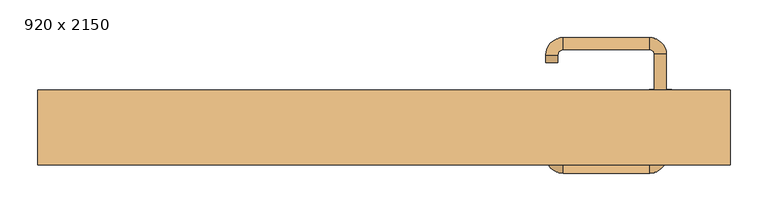
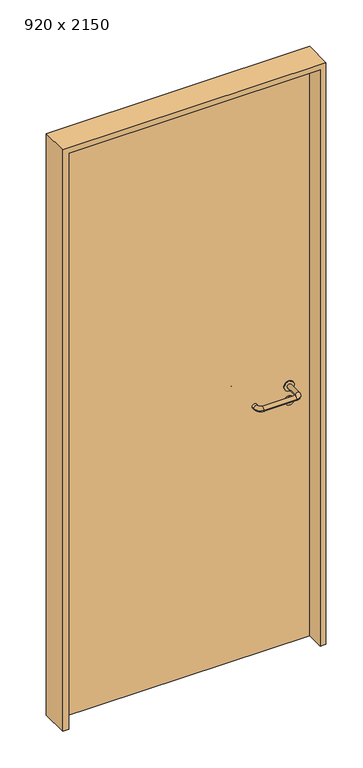
"""IFC4 building model written with IfcOpenShell, lengths in millimetres: door geometry, 920 x 2150."""

import ifcopenshell
import ifcopenshell.guid

model = None  # the IFC model being written
_history = None  # IfcOwnerHistory: only IFC2X3 demands one
_inside = {}  # id of a spatial element -> (the spatial element, [elements in it])
_under = {}  # id of a project, library or spatial element -> (it, [spatial elements below it])
_declared = {}  # id of a project -> (the project, [libraries it declares])
_typed = {}  # id of a type object -> (the type object, [elements of that type])
_made_of = {}  # id of a material, layer set ... -> (it, [elements and type objects made of it])


def new_model(schema):
    """Start an empty IFC model of exactly this schema.

    Asked for "IFC4X3", IfcOpenShell would pick the latest addendum, in which some entities
    have other attributes; the version numbers below select the first issue.
    IFC2X3 requires an IfcOwnerHistory on every rooted entity: one is made here for all.
    """
    global model, _history
    if schema == "IFC4X3":
        model = ifcopenshell.file(schema_version=(4, 3, 0, 0))
    else:
        model = ifcopenshell.file(schema=schema)
    _inside.clear()
    _under.clear()
    _declared.clear()
    _typed.clear()
    _made_of.clear()
    _history = None
    if model.schema == "IFC2X3":
        org = make("IfcOrganization", Name="unknown")
        user = make(
            "IfcPersonAndOrganization",
            ThePerson=make("IfcPerson", FamilyName="unknown"),
            TheOrganization=org,
        )
        app = make(
            "IfcApplication",
            ApplicationDeveloper=org,
            Version="unknown",
            ApplicationFullName="unknown",
            ApplicationIdentifier="unknown",
        )
        _history = make(
            "IfcOwnerHistory",
            OwningUser=user,
            OwningApplication=app,
            ChangeAction="ADDED",
            CreationDate=0,
        )
    return model


def make(cls, **values):
    """One entity of the class cls with the attributes given. An attribute that is None is left unset."""
    return model.create_entity(
        cls, **{name: value for name, value in values.items() if value is not None}
    )


def rooted(cls, **values):
    """An entity with a GlobalId (a new one), such as an element, a storey or a relation."""
    return make(cls, GlobalId=ifcopenshell.guid.new(), OwnerHistory=_history, **values)


def si_unit(unit_type, name, prefix=None):
    """IfcSIUnit, for example si_unit("LENGTHUNIT", "METRE", prefix="MILLI")."""
    return make("IfcSIUnit", UnitType=unit_type, Prefix=prefix, Name=name)


def assignment(units):
    """IfcUnitAssignment: the units of a project."""
    return None if units is None else make("IfcUnitAssignment", Units=units)


def point(xyz):
    """IfcCartesianPoint."""
    return None if xyz is None else make("IfcCartesianPoint", Coordinates=xyz)


def direction(xyz):
    """IfcDirection."""
    return None if xyz is None else make("IfcDirection", DirectionRatios=xyz)


def frame(location, z_axis=None, x_axis=None):
    """IfcAxis2Placement3D, a coordinate frame: its origin and axes. An axis left out is left unset."""
    return make(
        "IfcAxis2Placement3D",
        Location=point(location),
        Axis=direction(z_axis),
        RefDirection=direction(x_axis),
    )


def frame_2d(location, x_axis=None):
    """IfcAxis2Placement2D, a coordinate frame in the plane: its origin and x axis."""
    return make(
        "IfcAxis2Placement2D", Location=point(location), RefDirection=direction(x_axis)
    )


def origin():
    """The frame at (0, 0, 0) with its axes left unset."""
    return frame((0.0, 0.0, 0.0))


def origin_with_axes():
    """The frame at (0, 0, 0) with the z axis (0, 0, 1) and the x axis (1, 0, 0) written out."""
    return frame((0.0, 0.0, 0.0), z_axis=(0.0, 0.0, 1.0), x_axis=(1.0, 0.0, 0.0))


def place(relative_to, where):
    """IfcLocalPlacement: puts the frame where relative to a parent placement (None: the world)."""
    return make(
        "IfcLocalPlacement", PlacementRelTo=relative_to, RelativePlacement=where
    )


def context(
    kind, dimensions, precision=None, world=None, true_north=None, identifier=None
):
    """IfcGeometricRepresentationContext, for example the 3D "Model" context."""
    return make(
        "IfcGeometricRepresentationContext",
        ContextIdentifier=identifier,
        ContextType=kind,
        CoordinateSpaceDimension=dimensions,
        Precision=precision,
        WorldCoordinateSystem=world,
        TrueNorth=true_north,
    )


def project(units=None, contexts=None):
    """IfcProject with its units and contexts."""
    return rooted(
        "IfcProject",
        Name="project",
        RepresentationContexts=contexts,
        UnitsInContext=assignment(units),
    )


def spatial(cls, under=None, at=None, **own):
    """A site, building, storey or space (cls), placed at a placement, below another one or the project."""
    s = rooted(cls, ObjectPlacement=at, **own)
    if under is not None:
        _under.setdefault(under.id(), (under, []))[1].append(s)
    return s


def polyline(points):
    """IfcPolyline through the points."""
    return make("IfcPolyline", Points=[point(p) for p in points])


def circle_curve(where, radius):
    """IfcCircle in the frame where."""
    return make("IfcCircle", Position=where, Radius=radius)


def ellipse_curve(where, semi_axis1, semi_axis2):
    """IfcEllipse in the frame where."""
    return make(
        "IfcEllipse", Position=where, SemiAxis1=semi_axis1, SemiAxis2=semi_axis2
    )


def trimmed(basis, trim1, trim2, sense, master):
    """IfcTrimmedCurve: the piece of a basis curve between two trims."""
    return make(
        "IfcTrimmedCurve",
        BasisCurve=basis,
        Trim1=trim1,
        Trim2=trim2,
        SenseAgreement=sense,
        MasterRepresentation=master,
    )


def segment(curve, same_sense, transition):
    """IfcCompositeCurveSegment."""
    return make(
        "IfcCompositeCurveSegment",
        Transition=transition,
        SameSense=same_sense,
        ParentCurve=curve,
    )


def composite_curve(segments, self_intersect=None):
    """IfcCompositeCurve: segments joined end to end."""
    return make("IfcCompositeCurve", Segments=segments, SelfIntersect=self_intersect)


def outline(outer, holes=None, kind="AREA"):
    """IfcArbitraryClosedProfileDef: a profile drawn as a closed curve; with holes, ...WithVoids."""
    if holes is None:
        return make("IfcArbitraryClosedProfileDef", ProfileType=kind, OuterCurve=outer)
    return make(
        "IfcArbitraryProfileDefWithVoids",
        ProfileType=kind,
        OuterCurve=outer,
        InnerCurves=holes,
    )


def extrude(swept, where, along, depth):
    """IfcExtrudedAreaSolid: the profile swept, set in the frame where, extruded along a direction by depth."""
    return make(
        "IfcExtrudedAreaSolid",
        SweptArea=swept,
        Position=where,
        ExtrudedDirection=direction(along),
        Depth=depth,
    )


def shape(context_of_items, identifier, shape_type, items):
    """IfcShapeRepresentation: the items that make up one representation, for example the "Body"."""
    return make(
        "IfcShapeRepresentation",
        ContextOfItems=context_of_items,
        RepresentationIdentifier=identifier,
        RepresentationType=shape_type,
        Items=items,
    )


def source(mapping_origin, context_of_items, identifier, shape_type, items):
    """IfcRepresentationMap: a shape defined once, which mapped items show again and again."""
    return make(
        "IfcRepresentationMap",
        MappingOrigin=mapping_origin,
        MappedRepresentation=shape(context_of_items, identifier, shape_type, items),
    )


def transform(
    local_origin,
    x_axis=None,
    y_axis=None,
    z_axis=None,
    scale=None,
    scale2=None,
    scale3=None,
    uniform=True,
):
    """IfcCartesianTransformationOperator3D, or its non-uniform kind. x_axis, y_axis, z_axis: its Axis1, 2, 3."""
    if uniform:
        return make(
            "IfcCartesianTransformationOperator3D",
            Axis1=direction(x_axis),
            Axis2=direction(y_axis),
            LocalOrigin=point(local_origin),
            Scale=scale,
            Axis3=direction(z_axis),
        )
    return make(
        "IfcCartesianTransformationOperator3DnonUniform",
        Axis1=direction(x_axis),
        Axis2=direction(y_axis),
        LocalOrigin=point(local_origin),
        Scale=scale,
        Axis3=direction(z_axis),
        Scale2=scale2,
        Scale3=scale3,
    )


def mapped(mapping_source, mapping_target):
    """IfcMappedItem: shows the shape of a source again, moved by a transform."""
    return make(
        "IfcMappedItem", MappingSource=mapping_source, MappingTarget=mapping_target
    )


def made_of(thing, what):
    """Note that an element or type object is made of a material, layer set ...; save() writes the relation."""
    if what is not None:
        _made_of.setdefault(what.id(), (what, []))[1].append(thing)
    return thing


def element(
    cls,
    number,
    at=None,
    inside=None,
    cuts=None,
    type_object=None,
    material=None,
    context=None,
    identifier="Body",
    shape_type=None,
    held_by="IfcProductDefinitionShape",
    body=None,
    shapes=None,
    **own,
):
    """One element of the class cls, such as IfcWall. Its Tag is "e" and its number.

    at: its placement. inside: the storey or other place that contains it. cuts: it is an
    opening in that element (IfcRelVoidsElement). A single representation is given by context,
    identifier, shape_type and body (its items); several are given by shapes. held_by: the class
    of the entity that holds the representations. save() writes the other relations.
    """
    e = rooted(cls, Tag="e%d" % number, ObjectPlacement=at, **own)
    if body is not None:
        shapes = [shape(context, identifier, shape_type, body)]
    if shapes is not None:
        e.Representation = make(held_by, Representations=shapes)
    if inside is not None:
        _inside.setdefault(inside.id(), (inside, []))[1].append(e)
    if cuts is not None:
        rooted(
            "IfcRelVoidsElement", RelatingBuildingElement=cuts, RelatedOpeningElement=e
        )
    if type_object is not None:
        _typed.setdefault(type_object.id(), (type_object, []))[1].append(e)
    return made_of(e, material)


def aggregate(whole, parts):
    """IfcRelAggregates: a whole, such as a stair, and the parts it consists of."""
    return rooted("IfcRelAggregates", RelatingObject=whole, RelatedObjects=parts)


def save(model, path):
    """Write the relations noted so far, then the file.

    IfcRelAggregates (storeys below a building ...), IfcRelContainedInSpatialStructure (elements
    in a storey), IfcRelDefinesByType, IfcRelAssociatesMaterial and IfcRelDeclares: one each for
    every whole, place, type object, material and project.
    """
    for whole, parts in _under.values():
        aggregate(whole, parts)
    for where, things in _inside.values():
        rooted(
            "IfcRelContainedInSpatialStructure",
            RelatedElements=things,
            RelatingStructure=where,
        )
    for kind, things in _typed.values():
        rooted("IfcRelDefinesByType", RelatedObjects=things, RelatingType=kind)
    for what, things in _made_of.values():
        rooted("IfcRelAssociatesMaterial", RelatedObjects=things, RelatingMaterial=what)
    for by, libraries in _declared.values():
        rooted("IfcRelDeclares", RelatingContext=by, RelatedDefinitions=libraries)
    model.write(path)


def plane_surface(at):
    """IfcPlane: the flat surface through the origin of the frame at, square to its z axis."""
    return make("IfcPlane", Position=at)


def cylinder_surface(at, radius):
    """IfcCylindricalSurface: all points at the distance radius from the z axis of the frame at."""
    return make("IfcCylindricalSurface", Position=at, Radius=radius)


def revolved_surface(curve, axis_point, axis_direction):
    """IfcSurfaceOfRevolution: the curve turned about the line through axis_point along axis_direction."""
    return make(
        "IfcSurfaceOfRevolution",
        SweptCurve=make("IfcArbitraryOpenProfileDef", ProfileType="CURVE", Curve=curve),
        AxisPosition=make("IfcAxis1Placement", Location=point(axis_point), Axis=direction(axis_direction)),
    )


def advanced_brep(points, edges, surfaces, faces):
    """IfcAdvancedBrep: a solid bounded by faces that lie on surfaces and meet in shared edges.

    An edge is (start, end): straight between two places in points (the first is 0);
    or (start, end, curve); or (start, end, curve, False) where it runs against its curve.
    A face is (place in surfaces, loops), or (place, loops, False) where it looks against
    its surface's normal. A loop lists edges by number (the first is 1), with a minus sign
    where the edge is run from its end to its start. The first loop is the outer one.
    """
    corners = [point(p) for p in points]
    vertices = [make("IfcVertexPoint", VertexGeometry=c) for c in corners]
    made = []
    for start, end, *more in edges:
        made.append(
            make(
                "IfcEdgeCurve",
                EdgeStart=vertices[start],
                EdgeEnd=vertices[end],
                EdgeGeometry=more[0] if more else make("IfcPolyline", Points=[corners[start], corners[end]]),
                SameSense=more[1] if len(more) > 1 else True,
            )
        )
    hull = []
    for where, loops, *sense in faces:
        bounds = []
        for j, loop in enumerate(loops):
            ring = [make("IfcOrientedEdge", EdgeElement=made[abs(k) - 1], Orientation=k > 0) for k in loop]
            bounds.append(
                make(
                    "IfcFaceOuterBound" if j == 0 else "IfcFaceBound",
                    Bound=make("IfcEdgeLoop", EdgeList=ring),
                    Orientation=True,
                )
            )
        hull.append(make("IfcAdvancedFace", Bounds=bounds, FaceSurface=surfaces[where], SameSense=sense[0] if sense else True))
    return make("IfcAdvancedBrep", Outer=make("IfcClosedShell", CfsFaces=hull))


def door_920_x_2150_130f13e4(model_context):
    return source(origin(), model_context, "Body", "SolidModel", [
        extrude(outline(composite_curve([segment(trimmed(circle_curve(frame_2d((897.3605726, 367.0)), 15.0), [point((897.3605726, 382.0))], [point((897.3605726, 352.0))], False, "CARTESIAN"), True, "CONTINUOUS"), segment(trimmed(circle_curve(frame_2d((897.3605726, 367.0)), 15.0), [point((897.3605726, 352.0))], [point((897.3605726, 382.0))], False, "CARTESIAN"), True, "CONTINUOUS")], self_intersect=False), holes=[composite_curve([segment(trimmed(circle_curve(frame_2d((892.5833211, 366.9398032)), 2.0), [point((892.5833211, 368.9398032))], [point((892.5833211, 364.9398032))], True, "CARTESIAN"), True, "CONTINUOUS"), segment(polyline([(892.5833211, 364.9398032), (902.5833211, 364.9398032)]), True, "CONTINUOUS"), segment(trimmed(circle_curve(frame_2d((902.5833211, 366.9398032)), 2.0), [point((902.5833211, 364.9398032))], [point((902.5833211, 368.9398032))], True, "CARTESIAN"), True, "CONTINUOUS"), segment(polyline([(902.5833211, 368.9398032), (892.5833211, 368.9398032)]), True, "CONTINUOUS")], self_intersect=False)]), frame((0.0, 8.65, 0.0), z_axis=(0.0, 1.0, 0.0), x_axis=(0.0, 0.0, 1.0)), (0.0, 0.0, 1.0), 6.35),
        extrude(outline(composite_curve([segment(trimmed(circle_curve(frame_2d((950.0, 367.0)), 17.526), [point((950.0, 384.526))], [point((950.0, 349.474))], False, "CARTESIAN"), True, "CONTINUOUS"), segment(trimmed(circle_curve(frame_2d((950.0, 367.0)), 17.526), [point((950.0, 349.474))], [point((950.0, 384.526))], False, "CARTESIAN"), True, "CONTINUOUS")], self_intersect=False)), frame((0.0, 11.825, 0.0), z_axis=(0.0, 1.0, 0.0), x_axis=(0.0, 0.0, 1.0)), (0.0, 0.0, 1.0), 3.175),
        advanced_brep(
        [(375.0, 15.0, 950.0), (359.0, 15.0, 950.0), (359.0, -38.0, 950.0), (375.0, -38.0, 950.0), (352.8578644, -44.1421356, 950.0), (352.8578644, -60.1421356, 950.0), (237.8578644, -44.1421356, 950.0), (237.8578644, -60.1421356, 950.0), (231.008622, -37.2928932, 950.0), (215.008622, -37.2928932, 950.0), (215.008622, -27.2928932, 950.0), (231.008622, -27.2928932, 950.0)],
        [
            (0, 1, circle_curve(frame((367.0, 15.0, 950.0), z_axis=(0.0, 1.0, 0.0), x_axis=(-1.0, 0.0, 0.0)), 8.0)),
            (1, 0, circle_curve(frame((367.0, 15.0, 950.0), z_axis=(0.0, 1.0, 0.0), x_axis=(-1.0, 0.0, 0.0)), 8.0)),
            (1, 2),
            (2, 3, circle_curve(frame((367.0, -38.0, 950.0), z_axis=(0.0, 1.0, 0.0), x_axis=(-1.0, 0.0, 0.0)), 8.0)),
            (3, 0),
            (3, 2, circle_curve(frame((367.0, -38.0, 950.0), z_axis=(0.0, 1.0, 0.0), x_axis=(-1.0, 0.0, 0.0)), 8.0)),
            (4, 5, circle_curve(frame((352.8578644, -52.1421356, 950.0), z_axis=(1.0, 0.0, 0.0), x_axis=(0.0, 1.0, 0.0)), 8.0)),
            (5, 3, circle_curve(frame((352.8578644, -38.0, 950.0), z_axis=(0.0, 0.0, 1.0), x_axis=(1.0, 0.0, 0.0)), 22.1421356)),
            (2, 4, circle_curve(frame((352.8578644, -38.0, 950.0), z_axis=(0.0, 0.0, -1.0), x_axis=(1.0, 0.0, 0.0)), 6.1421356)),
            (5, 4, circle_curve(frame((352.8578644, -52.1421356, 950.0), z_axis=(1.0, 0.0, 0.0), x_axis=(0.0, 1.0, 0.0)), 8.0)),
            (4, 6),
            (6, 7, circle_curve(frame((237.8578644, -52.1421356, 950.0), z_axis=(1.0, 0.0, 0.0), x_axis=(0.0, 1.0, 0.0)), 8.0)),
            (7, 5),
            (7, 6, circle_curve(frame((237.8578644, -52.1421356, 950.0), z_axis=(1.0, 0.0, 0.0), x_axis=(0.0, 1.0, 0.0)), 8.0)),
            (8, 9, circle_curve(frame((223.008622, -37.2928932, 950.0), z_axis=(0.0, -1.0, 0.0), x_axis=(1.0, 0.0, 0.0)), 8.0)),
            (9, 7, circle_curve(frame((237.8578644, -37.2928932, 950.0), z_axis=(0.0, 0.0, 1.0), x_axis=(0.0, -1.0, 0.0)), 22.8492424)),
            (6, 8, circle_curve(frame((237.8578644, -37.2928932, 950.0), z_axis=(0.0, 0.0, -1.0), x_axis=(0.0, -1.0, 0.0)), 6.8492424)),
            (9, 8, circle_curve(frame((223.008622, -37.2928932, 950.0), z_axis=(0.0, -1.0, 0.0), x_axis=(1.0, 0.0, 0.0)), 8.0)),
            (10, 11, circle_curve(frame((223.008622, -27.2928932, 950.0), z_axis=(0.0, 1.0, 0.0), x_axis=(1.0, 0.0, 0.0)), 8.0)),
            (11, 10, circle_curve(frame((223.008622, -27.2928932, 950.0), z_axis=(0.0, 1.0, 0.0), x_axis=(1.0, 0.0, 0.0)), 8.0)),
            (8, 11),
            (10, 9),
        ],
        [
            plane_surface(frame((367.0, 15.0, 0.0), z_axis=(0.0, 1.0, 0.0), x_axis=(0.0, 0.0, 1.0))),
            cylinder_surface(frame((367.0, 15.0, 950.0), z_axis=(0.0, 1.0, 0.0), x_axis=(-1.0, 0.0, 0.0)), 8.0),
            revolved_surface(trimmed(ellipse_curve(frame((367.0, -38.0, 950.0), z_axis=(0.0, -1.0, 0.0), x_axis=(-1.0, 0.0, 0.0)), 8.0, 8.0), [point((375.0, -38.0, 950.0))], [point((359.0, -38.0, 950.0))], True, "CARTESIAN"), (352.8578644, -38.0, 0.0), (0.0, 0.0, 1.0)),
            revolved_surface(trimmed(ellipse_curve(frame((367.0, -38.0, 950.0), z_axis=(0.0, -1.0, 0.0), x_axis=(-1.0, 0.0, 0.0)), 8.0, 8.0), [point((359.0, -38.0, 950.0))], [point((375.0, -38.0, 950.0))], True, "CARTESIAN"), (352.8578644, -38.0, 0.0), (0.0, 0.0, 1.0)),
            cylinder_surface(frame((352.8578644, -52.1421356, 950.0), z_axis=(1.0, 0.0, 0.0), x_axis=(0.0, 1.0, 0.0)), 8.0),
            revolved_surface(trimmed(ellipse_curve(frame((237.8578644, -52.1421356, 950.0), z_axis=(-1.0, 0.0, 0.0), x_axis=(0.0, 1.0, 0.0)), 8.0, 8.0), [point((237.8578644, -60.1421356, 950.0))], [point((237.8578644, -44.1421356, 950.0))], True, "CARTESIAN"), (237.8578644, -37.2928932, 0.0), (0.0, 0.0, 1.0)),
            revolved_surface(trimmed(ellipse_curve(frame((237.8578644, -52.1421356, 950.0), z_axis=(-1.0, 0.0, 0.0), x_axis=(0.0, 1.0, 0.0)), 8.0, 8.0), [point((237.8578644, -44.1421356, 950.0))], [point((237.8578644, -60.1421356, 950.0))], True, "CARTESIAN"), (237.8578644, -37.2928932, 0.0), (0.0, 0.0, 1.0)),
            plane_surface(frame((223.008622, -27.2928932, 0.0), z_axis=(0.0, 1.0, 0.0), x_axis=(0.0, 0.0, 1.0))),
            cylinder_surface(frame((223.008622, -37.2928932, 950.0), z_axis=(0.0, -1.0, 0.0), x_axis=(1.0, 0.0, 0.0)), 8.0),
        ],
        [
            (0, [[1, 2]]),
            (1, [[3, 4, 5, -2]]),
            (1, [[-5, 6, -3, -1]]),
            (2, [[7, 8, -4, 9]]),
            (3, [[10, -9, -6, -8]]),
            (4, [[11, 12, 13, -7]]),
            (4, [[-13, 14, -11, -10]]),
            (5, [[15, 16, -12, 17]]),
            (6, [[18, -17, -14, -16]]),
            (7, [[19, 20]]),
            (8, [[21, -19, 22, -15]]),
            (8, [[-22, -20, -21, -18]]),
        ],
    ),
        extrude(outline(composite_curve([segment(trimmed(circle_curve(frame_2d((0.0, -15.0)), 15.0), [point((0.0, -30.0))], [point((0.0, 0.0))], False, "CARTESIAN"), True, "CONTINUOUS"), segment(trimmed(circle_curve(frame_2d((0.0, -15.0)), 15.0), [point((0.0, 0.0))], [point((0.0, -30.0))], False, "CARTESIAN"), True, "CONTINUOUS")], self_intersect=False), holes=[composite_curve([segment(trimmed(circle_curve(frame_2d((4.7772515, -14.9398032)), 2.0), [point((4.7772515, -16.9398032))], [point((4.7772515, -12.9398032))], True, "CARTESIAN"), True, "CONTINUOUS"), segment(polyline([(4.7772515, -12.9398032), (-5.2227485, -12.9398032)]), True, "CONTINUOUS"), segment(trimmed(circle_curve(frame_2d((-5.2227485, -14.9398032)), 2.0), [point((-5.2227485, -12.9398032))], [point((-5.2227485, -16.9398032))], True, "CARTESIAN"), True, "CONTINUOUS"), segment(polyline([(-5.2227485, -16.9398032), (4.7772515, -16.9398032)]), True, "CONTINUOUS")], self_intersect=False)]), frame((352.0, 45.0, 897.3605726), z_axis=(1.8870575173328306e-12, 1.0, 0.0), x_axis=(0.0, 0.0, -1.0)), (0.0, 0.0, 1.0), 6.35),
        extrude(outline(composite_curve([segment(trimmed(circle_curve(frame_2d((0.0, -17.526)), 17.526), [point((0.0, -35.052))], [point((0.0, 0.0))], False, "CARTESIAN"), True, "CONTINUOUS"), segment(trimmed(circle_curve(frame_2d((0.0, -17.526)), 17.526), [point((0.0, 0.0))], [point((0.0, -35.052))], False, "CARTESIAN"), True, "CONTINUOUS")], self_intersect=False)), frame((349.474, 45.0, 950.0), z_axis=(1.8870575173328306e-12, 1.0, 0.0), x_axis=(0.0, 0.0, -1.0)), (0.0, 0.0, 1.0), 3.175),
        advanced_brep(
        [(375.0, 45.0, 950.0), (359.0, 45.0, 950.0), (375.0, 98.0, 950.0), (359.0, 98.0, 950.0), (352.8578644, 104.1421356, 950.0), (352.8578644, 120.1421356, 950.0), (237.8578644, 120.1421356, 950.0), (237.8578644, 104.1421356, 950.0), (231.008622, 97.2928932, 950.0), (215.008622, 97.2928932, 950.0), (215.008622, 87.2928932, 950.0), (231.008622, 87.2928932, 950.0)],
        [
            (0, 1, circle_curve(frame((367.0, 45.0, 950.0), z_axis=(-1.888672253512351e-12, -1.0, 0.0), x_axis=(-1.0, 1.888672253512351e-12, 0.0)), 8.0)),
            (1, 0, circle_curve(frame((367.0, 45.0, 950.0), z_axis=(-1.888672253512351e-12, -1.0, 0.0), x_axis=(-1.0, 1.888672253512351e-12, 0.0)), 8.0)),
            (0, 2),
            (2, 3, circle_curve(frame((367.0, 98.0, 950.0), z_axis=(-1.888672253512351e-12, -1.0, 0.0), x_axis=(-1.0, 1.888672253512351e-12, 0.0)), 8.0)),
            (3, 1),
            (3, 2, circle_curve(frame((367.0, 98.0, 950.0), z_axis=(-1.888672253512351e-12, -1.0, 0.0), x_axis=(-1.0, 1.888672253512351e-12, 0.0)), 8.0)),
            (4, 3, circle_curve(frame((352.8578644, 98.0, 950.0), z_axis=(0.0, 0.0, -1.0), x_axis=(1.0, -1.880717803715015e-12, 0.0)), 6.1421356)),
            (2, 5, circle_curve(frame((352.8578644, 98.0, 950.0), z_axis=(0.0, 0.0, 1.0), x_axis=(1.0, -1.880717803715015e-12, 0.0)), 22.1421356)),
            (5, 4, circle_curve(frame((352.8578644, 112.1421356, 950.0), z_axis=(1.0, -1.913702061528922e-12, 0.0), x_axis=(-1.913702061528922e-12, -1.0, 0.0)), 8.0)),
            (4, 5, circle_curve(frame((352.8578644, 112.1421356, 950.0), z_axis=(1.0, -1.913702061528922e-12, 0.0), x_axis=(-1.913702061528922e-12, -1.0, 0.0)), 8.0)),
            (5, 6),
            (6, 7, circle_curve(frame((237.8578644, 112.1421356, 950.0), z_axis=(1.0, -1.913719828541269e-12, 0.0), x_axis=(-1.913719828541269e-12, -1.0, 0.0)), 8.0)),
            (7, 4),
            (7, 6, circle_curve(frame((237.8578644, 112.1421356, 950.0), z_axis=(1.0, -1.913719828541269e-12, 0.0), x_axis=(-1.913719828541269e-12, -1.0, 0.0)), 8.0)),
            (8, 7, circle_curve(frame((237.8578644, 97.2928932, 950.0), z_axis=(0.0, 0.0, -1.0), x_axis=(1.9120873253494017e-12, 1.0, 0.0)), 6.8492424)),
            (6, 9, circle_curve(frame((237.8578644, 97.2928932, 950.0), z_axis=(0.0, 0.0, 1.0), x_axis=(1.9120873253494017e-12, 1.0, 0.0)), 22.8492424)),
            (9, 8, circle_curve(frame((223.008622, 97.2928932, 950.0), z_axis=(1.890448610351751e-12, 1.0, 0.0), x_axis=(1.0, -1.890448610351751e-12, 0.0)), 8.0)),
            (8, 9, circle_curve(frame((223.008622, 97.2928932, 950.0), z_axis=(1.8888942981172756e-12, 1.0, 0.0), x_axis=(1.0, -1.8888942981172756e-12, 0.0)), 8.0)),
            (10, 11, circle_curve(frame((223.008622, 87.2928932, 950.0), z_axis=(-1.8903642334018795e-12, -1.0, 0.0), x_axis=(1.0, -1.8903642334018795e-12, 0.0)), 8.0)),
            (11, 10, circle_curve(frame((223.008622, 87.2928932, 950.0), z_axis=(-1.8903642334018795e-12, -1.0, 0.0), x_axis=(1.0, -1.8903642334018795e-12, 0.0)), 8.0)),
            (9, 10),
            (11, 8),
        ],
        [
            plane_surface(frame((367.0, 45.0, 0.0), z_axis=(-1.8870575173328306e-12, -1.0, 0.0), x_axis=(0.0, 0.0, 1.0))),
            cylinder_surface(frame((367.0, 45.0, 950.0), z_axis=(-1.888672253512351e-12, -1.0, 0.0), x_axis=(-1.0, 1.888672253512351e-12, 0.0)), 8.0),
            revolved_surface(trimmed(ellipse_curve(frame((367.0, 98.0, 950.0), z_axis=(-1.8823325398945356e-12, -1.0, 0.0), x_axis=(-1.0, 1.8823325398945356e-12, 0.0)), 8.0, 8.0), [point((375.0, 98.0, 950.0))], [point((359.0, 98.0, 950.0))], True, "CARTESIAN"), (352.8578644, 98.0, 0.0), (0.0, 0.0, 1.0)),
            revolved_surface(trimmed(ellipse_curve(frame((367.0, 98.0, 950.0), z_axis=(-1.8823325398945356e-12, -1.0, 0.0), x_axis=(-1.0, 1.8823325398945356e-12, 0.0)), 8.0, 8.0), [point((359.0, 98.0, 950.0))], [point((375.0, 98.0, 950.0))], True, "CARTESIAN"), (352.8578644, 98.0, 0.0), (0.0, 0.0, 1.0)),
            cylinder_surface(frame((352.8578644, 112.1421356, 950.0), z_axis=(1.0, -1.913719828541269e-12, 0.0), x_axis=(-1.913719828541269e-12, -1.0, 0.0)), 8.0),
            revolved_surface(trimmed(ellipse_curve(frame((237.8578644, 112.1421356, 950.0), z_axis=(1.0, -1.913702061528922e-12, 0.0), x_axis=(-1.913702061528922e-12, -1.0, 0.0)), 8.0, 8.0), [point((237.8578644, 120.1421356, 950.0))], [point((237.8578644, 104.1421356, 950.0))], True, "CARTESIAN"), (237.8578644, 97.2928932, 0.0), (0.0, 0.0, 1.0)),
            revolved_surface(trimmed(ellipse_curve(frame((237.8578644, 112.1421356, 950.0), z_axis=(1.0, -1.913702061528922e-12, 0.0), x_axis=(-1.913702061528922e-12, -1.0, 0.0)), 8.0, 8.0), [point((237.8578644, 104.1421356, 950.0))], [point((237.8578644, 120.1421356, 950.0))], True, "CARTESIAN"), (237.8578644, 97.2928932, 0.0), (0.0, 0.0, 1.0)),
            plane_surface(frame((223.008622, 87.2928932, 0.0), z_axis=(-1.8887494972223595e-12, -1.0, 0.0), x_axis=(0.0, 0.0, 1.0))),
            cylinder_surface(frame((223.008622, 97.2928932, 950.0), z_axis=(1.8903642334018795e-12, 1.0, 0.0), x_axis=(1.0, -1.8903642334018795e-12, 0.0)), 8.0),
        ],
        [
            (0, [[1, 2]]),
            (1, [[-1, 3, 4, 5]]),
            (1, [[-2, -5, 6, -3]]),
            (2, [[7, -4, 8, 9]]),
            (3, [[-8, -6, -7, 10]]),
            (4, [[-9, 11, 12, 13]]),
            (4, [[-10, -13, 14, -11]]),
            (5, [[15, -12, 16, 17]]),
            (6, [[-16, -14, -15, 18]]),
            (7, [[19, 20]]),
            (8, [[-17, 21, -20, 22]]),
            (8, [[-18, -22, -19, -21]]),
        ],
    ),
        extrude(outline(polyline([(2130.0, 440.0), (0.0, 440.0), (0.0, 460.0), (2150.0, 460.0), (2150.0, -460.0), (0.0, -460.0), (0.0, -440.0), (2130.0, -440.0), (2130.0, 440.0)])), frame((0.0, -49.0, 0.0), z_axis=(0.0, 1.0, 0.0), x_axis=(0.0, 0.0, 1.0)), (0.0, 0.0, 1.0), 99.0),
        extrude(outline(polyline([(-440.0, 45.0), (440.0, 45.0), (440.0, 15.0), (-440.0, 15.0), (-440.0, 45.0)])), origin_with_axes(), (0.0, 0.0, 1.0), 2130.0),
    ])


if __name__ == "__main__":
    model = new_model("IFC4")
    model_context = context("Model", 3, world=origin())
    ifc_project = project(units=[si_unit("LENGTHUNIT", "METRE", prefix="MILLI")], contexts=[model_context])
    site = spatial("IfcSite", under=ifc_project)
    building = spatial("IfcBuilding", under=site)
    placement = place(None, origin())
    door_920_x_2150_shape = door_920_x_2150_130f13e4(model_context)
    element("IfcDoor", 1, ObjectType="920 x 2150", at=placement, inside=building, context=model_context, shape_type="MappedRepresentation", body=[
        mapped(door_920_x_2150_shape, transform((0.0, 0.0, 0.0), x_axis=(1.0, 0.0, 0.0), y_axis=(0.0, 1.0, 0.0), z_axis=(0.0, 0.0, 1.0))),
    ])
    save(model, "model.ifc")
